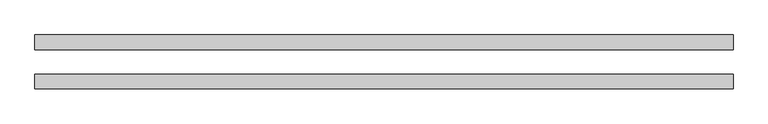
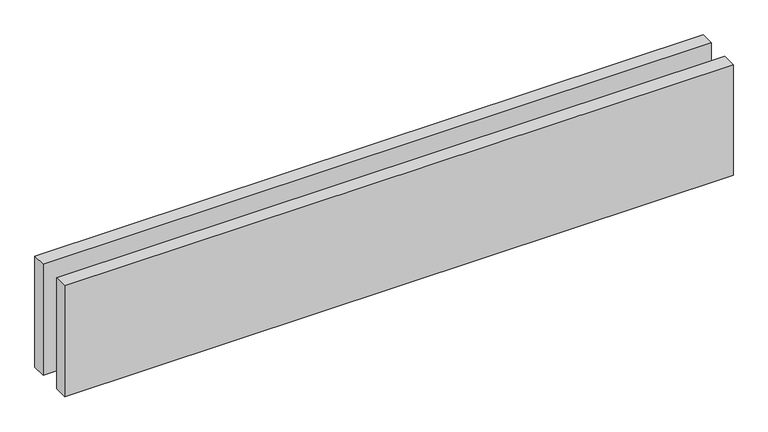
"""IFC4 building model written with IfcOpenShell, lengths in millimetres: proxy geometry."""

import ifcopenshell
import ifcopenshell.guid

model = None  # the IFC model being written
_history = None  # IfcOwnerHistory: only IFC2X3 demands one
_inside = {}  # id of a spatial element -> (the spatial element, [elements in it])
_under = {}  # id of a project, library or spatial element -> (it, [spatial elements below it])
_declared = {}  # id of a project -> (the project, [libraries it declares])
_typed = {}  # id of a type object -> (the type object, [elements of that type])
_made_of = {}  # id of a material, layer set ... -> (it, [elements and type objects made of it])


def new_model(schema):
    """Start an empty IFC model of exactly this schema.

    Asked for "IFC4X3", IfcOpenShell would pick the latest addendum, in which some entities
    have other attributes; the version numbers below select the first issue.
    IFC2X3 requires an IfcOwnerHistory on every rooted entity: one is made here for all.
    """
    global model, _history
    if schema == "IFC4X3":
        model = ifcopenshell.file(schema_version=(4, 3, 0, 0))
    else:
        model = ifcopenshell.file(schema=schema)
    _inside.clear()
    _under.clear()
    _declared.clear()
    _typed.clear()
    _made_of.clear()
    _history = None
    if model.schema == "IFC2X3":
        org = make("IfcOrganization", Name="unknown")
        user = make(
            "IfcPersonAndOrganization",
            ThePerson=make("IfcPerson", FamilyName="unknown"),
            TheOrganization=org,
        )
        app = make(
            "IfcApplication",
            ApplicationDeveloper=org,
            Version="unknown",
            ApplicationFullName="unknown",
            ApplicationIdentifier="unknown",
        )
        _history = make(
            "IfcOwnerHistory",
            OwningUser=user,
            OwningApplication=app,
            ChangeAction="ADDED",
            CreationDate=0,
        )
    return model


def make(cls, **values):
    """One entity of the class cls with the attributes given. An attribute that is None is left unset."""
    return model.create_entity(
        cls, **{name: value for name, value in values.items() if value is not None}
    )


def rooted(cls, **values):
    """An entity with a GlobalId (a new one), such as an element, a storey or a relation."""
    return make(cls, GlobalId=ifcopenshell.guid.new(), OwnerHistory=_history, **values)


def si_unit(unit_type, name, prefix=None):
    """IfcSIUnit, for example si_unit("LENGTHUNIT", "METRE", prefix="MILLI")."""
    return make("IfcSIUnit", UnitType=unit_type, Prefix=prefix, Name=name)


def assignment(units):
    """IfcUnitAssignment: the units of a project."""
    return None if units is None else make("IfcUnitAssignment", Units=units)


def point(xyz):
    """IfcCartesianPoint."""
    return None if xyz is None else make("IfcCartesianPoint", Coordinates=xyz)


def direction(xyz):
    """IfcDirection."""
    return None if xyz is None else make("IfcDirection", DirectionRatios=xyz)


def frame(location, z_axis=None, x_axis=None):
    """IfcAxis2Placement3D, a coordinate frame: its origin and axes. An axis left out is left unset."""
    return make(
        "IfcAxis2Placement3D",
        Location=point(location),
        Axis=direction(z_axis),
        RefDirection=direction(x_axis),
    )


def origin():
    """The frame at (0, 0, 0) with its axes left unset."""
    return frame((0.0, 0.0, 0.0))


def origin_with_axes():
    """The frame at (0, 0, 0) with the z axis (0, 0, 1) and the x axis (1, 0, 0) written out."""
    return frame((0.0, 0.0, 0.0), z_axis=(0.0, 0.0, 1.0), x_axis=(1.0, 0.0, 0.0))


def place(relative_to, where):
    """IfcLocalPlacement: puts the frame where relative to a parent placement (None: the world)."""
    return make(
        "IfcLocalPlacement", PlacementRelTo=relative_to, RelativePlacement=where
    )


def context(
    kind, dimensions, precision=None, world=None, true_north=None, identifier=None
):
    """IfcGeometricRepresentationContext, for example the 3D "Model" context."""
    return make(
        "IfcGeometricRepresentationContext",
        ContextIdentifier=identifier,
        ContextType=kind,
        CoordinateSpaceDimension=dimensions,
        Precision=precision,
        WorldCoordinateSystem=world,
        TrueNorth=true_north,
    )


def project(units=None, contexts=None):
    """IfcProject with its units and contexts."""
    return rooted(
        "IfcProject",
        Name="project",
        RepresentationContexts=contexts,
        UnitsInContext=assignment(units),
    )


def spatial(cls, under=None, at=None, **own):
    """A site, building, storey or space (cls), placed at a placement, below another one or the project."""
    s = rooted(cls, ObjectPlacement=at, **own)
    if under is not None:
        _under.setdefault(under.id(), (under, []))[1].append(s)
    return s


def polyline(points):
    """IfcPolyline through the points."""
    return make("IfcPolyline", Points=[point(p) for p in points])


def outline(outer, holes=None, kind="AREA"):
    """IfcArbitraryClosedProfileDef: a profile drawn as a closed curve; with holes, ...WithVoids."""
    if holes is None:
        return make("IfcArbitraryClosedProfileDef", ProfileType=kind, OuterCurve=outer)
    return make(
        "IfcArbitraryProfileDefWithVoids",
        ProfileType=kind,
        OuterCurve=outer,
        InnerCurves=holes,
    )


def extrude(swept, where, along, depth):
    """IfcExtrudedAreaSolid: the profile swept, set in the frame where, extruded along a direction by depth."""
    return make(
        "IfcExtrudedAreaSolid",
        SweptArea=swept,
        Position=where,
        ExtrudedDirection=direction(along),
        Depth=depth,
    )


def shape(context_of_items, identifier, shape_type, items):
    """IfcShapeRepresentation: the items that make up one representation, for example the "Body"."""
    return make(
        "IfcShapeRepresentation",
        ContextOfItems=context_of_items,
        RepresentationIdentifier=identifier,
        RepresentationType=shape_type,
        Items=items,
    )


def source(mapping_origin, context_of_items, identifier, shape_type, items):
    """IfcRepresentationMap: a shape defined once, which mapped items show again and again."""
    return make(
        "IfcRepresentationMap",
        MappingOrigin=mapping_origin,
        MappedRepresentation=shape(context_of_items, identifier, shape_type, items),
    )


def transform(
    local_origin,
    x_axis=None,
    y_axis=None,
    z_axis=None,
    scale=None,
    scale2=None,
    scale3=None,
    uniform=True,
):
    """IfcCartesianTransformationOperator3D, or its non-uniform kind. x_axis, y_axis, z_axis: its Axis1, 2, 3."""
    if uniform:
        return make(
            "IfcCartesianTransformationOperator3D",
            Axis1=direction(x_axis),
            Axis2=direction(y_axis),
            LocalOrigin=point(local_origin),
            Scale=scale,
            Axis3=direction(z_axis),
        )
    return make(
        "IfcCartesianTransformationOperator3DnonUniform",
        Axis1=direction(x_axis),
        Axis2=direction(y_axis),
        LocalOrigin=point(local_origin),
        Scale=scale,
        Axis3=direction(z_axis),
        Scale2=scale2,
        Scale3=scale3,
    )


def mapped(mapping_source, mapping_target):
    """IfcMappedItem: shows the shape of a source again, moved by a transform."""
    return make(
        "IfcMappedItem", MappingSource=mapping_source, MappingTarget=mapping_target
    )


def made_of(thing, what):
    """Note that an element or type object is made of a material, layer set ...; save() writes the relation."""
    if what is not None:
        _made_of.setdefault(what.id(), (what, []))[1].append(thing)
    return thing


def element(
    cls,
    number,
    at=None,
    inside=None,
    cuts=None,
    type_object=None,
    material=None,
    context=None,
    identifier="Body",
    shape_type=None,
    held_by="IfcProductDefinitionShape",
    body=None,
    shapes=None,
    **own,
):
    """One element of the class cls, such as IfcWall. Its Tag is "e" and its number.

    at: its placement. inside: the storey or other place that contains it. cuts: it is an
    opening in that element (IfcRelVoidsElement). A single representation is given by context,
    identifier, shape_type and body (its items); several are given by shapes. held_by: the class
    of the entity that holds the representations. save() writes the other relations.
    """
    e = rooted(cls, Tag="e%d" % number, ObjectPlacement=at, **own)
    if body is not None:
        shapes = [shape(context, identifier, shape_type, body)]
    if shapes is not None:
        e.Representation = make(held_by, Representations=shapes)
    if inside is not None:
        _inside.setdefault(inside.id(), (inside, []))[1].append(e)
    if cuts is not None:
        rooted(
            "IfcRelVoidsElement", RelatingBuildingElement=cuts, RelatedOpeningElement=e
        )
    if type_object is not None:
        _typed.setdefault(type_object.id(), (type_object, []))[1].append(e)
    return made_of(e, material)


def aggregate(whole, parts):
    """IfcRelAggregates: a whole, such as a stair, and the parts it consists of."""
    return rooted("IfcRelAggregates", RelatingObject=whole, RelatedObjects=parts)


def save(model, path):
    """Write the relations noted so far, then the file.

    IfcRelAggregates (storeys below a building ...), IfcRelContainedInSpatialStructure (elements
    in a storey), IfcRelDefinesByType, IfcRelAssociatesMaterial and IfcRelDeclares: one each for
    every whole, place, type object, material and project.
    """
    for whole, parts in _under.values():
        aggregate(whole, parts)
    for where, things in _inside.values():
        rooted(
            "IfcRelContainedInSpatialStructure",
            RelatedElements=things,
            RelatingStructure=where,
        )
    for kind, things in _typed.values():
        rooted("IfcRelDefinesByType", RelatedObjects=things, RelatingType=kind)
    for what, things in _made_of.values():
        rooted("IfcRelAssociatesMaterial", RelatedObjects=things, RelatingMaterial=what)
    for by, libraries in _declared.values():
        rooted("IfcRelDeclares", RelatingContext=by, RelatedDefinitions=libraries)
    model.write(path)


def generic_models_60a31c24(model_context):
    return source(origin(), model_context, "Body", "SweptSolid", [
        extrude(outline(polyline([(1424.2640687, 25.0), (0.0, 25.0), (0.0, 55.0), (1424.2640687, 55.0), (1424.2640687, 25.0)])), origin_with_axes(), (0.0, 0.0, 1.0), 250.0),
        extrude(outline(polyline([(1424.2640687, -55.0), (0.0, -55.0), (0.0, -25.0), (1424.2640687, -25.0), (1424.2640687, -55.0)])), origin_with_axes(), (0.0, 0.0, 1.0), 250.0),
    ])


if __name__ == "__main__":
    model = new_model("IFC4")
    model_context = context("Model", 3, world=origin())
    ifc_project = project(units=[si_unit("LENGTHUNIT", "METRE", prefix="MILLI")], contexts=[model_context])
    site = spatial("IfcSite", under=ifc_project)
    building = spatial("IfcBuilding", under=site)
    placement = place(None, origin())
    generic_models_shape = generic_models_60a31c24(model_context)
    element("IfcBuildingElementProxy", 1, Name="Generic Models", at=placement, inside=building, context=model_context, shape_type="MappedRepresentation", body=[
        mapped(generic_models_shape, transform((0.0, 0.0, 0.0), x_axis=(1.0, 0.0, 0.0), y_axis=(0.0, 1.0, 0.0), z_axis=(0.0, 0.0, 1.0))),
    ])
    save(model, "model.ifc")
